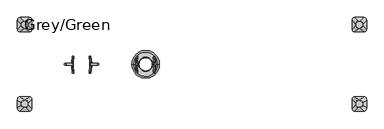
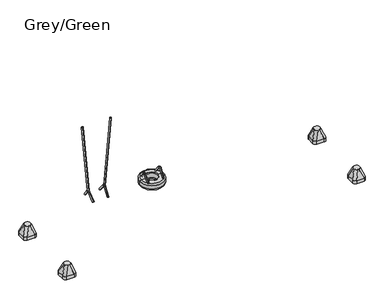
"""IFC4 building model written with IfcOpenShell, lengths in millimetres: furniture geometry, Grey/Green."""

from ifc_helpers import new_model, si_unit, point, frame, frame_2d, origin, place, context, project, spatial, circle_curve, ellipse_curve, trimmed, segment, composite_curve, outline, extrude, source, transform, mapped, element, save
from ifc_brep_helpers import plane_surface, cylinder_surface, revolved_surface, extruded_surface, advanced_brep


def grey_green_2156a29e(model_context):
    return source(origin(), model_context, "Body", "SolidModel", [
        advanced_brep(
        [(842.843913, 171.5929238, 509.453853), (840.9556542, 142.8420454, 487.8709553), (854.8767884, 22.4790408, 646.9902475), (856.7650472, 51.2299192, 668.5731452), (842.5847991, -188.6337903, 506.4921669), (840.5263438, -161.4642454, 482.9639159), (857.0557994, -44.3008039, 671.896457), (854.9973441, -17.131259, 648.3682061)],
        [
            (0, 1, circle_curve(frame((841.8997836, 157.2174846, 498.6624042), z_axis=(-0.06960567106284149, 0.6018150231520505, -0.7955964608169073), x_axis=(-0.05245163533952736, -0.7986355100472913, -0.5995249352960328)), 18.0)),
            (1, 0, circle_curve(frame((841.8997836, 157.2174846, 498.6624042), z_axis=(-0.06960567106284149, 0.6018150231520505, -0.7955964608169073), x_axis=(-0.05245163533952736, -0.7986355100472913, -0.5995249352960328)), 18.0)),
            (1, 2),
            (2, 3, circle_curve(frame((855.8209178, 36.85448, 657.7816963), z_axis=(-0.06960567106284149, 0.6018150231520505, -0.7955964608169073), x_axis=(-0.05245163533952736, -0.7986355100472913, -0.5995249352960328)), 18.0)),
            (3, 0),
            (3, 2, circle_curve(frame((855.8209178, 36.85448, 657.7816963), z_axis=(-0.06960567106284149, 0.6018150231520505, -0.7955964608169073), x_axis=(-0.05245163533952736, -0.7986355100472913, -0.5995249352960328)), 18.0)),
            (4, 5, circle_curve(frame((841.5555715, -175.0490178, 494.7280414), z_axis=(-0.06577727402310152, -0.6560590289905275, -0.7518376824169539), x_axis=(-0.0571793119579891, 0.7547095802227545, -0.6535625263155811)), 18.0)),
            (5, 4, circle_curve(frame((841.5555715, -175.0490178, 494.7280414), z_axis=(-0.06577727402310152, -0.6560590289905275, -0.7518376824169539), x_axis=(-0.0571793119579891, 0.7547095802227545, -0.6535625263155811)), 18.0)),
            (6, 7, circle_curve(frame((856.0265717, -30.7160315, 660.1323315), z_axis=(-0.06577727402310152, -0.6560590289905275, -0.7518376824169539), x_axis=(-0.0571793119579891, 0.7547095802227545, -0.6535625263155811)), 18.0)),
            (7, 5),
            (4, 6),
            (7, 6, circle_curve(frame((856.0265717, -30.7160315, 660.1323315), z_axis=(-0.06577727402310152, -0.6560590289905275, -0.7518376824169539), x_axis=(-0.0571793119579891, 0.7547095802227545, -0.6535625263155811)), 18.0)),
            (7, 2, circle_curve(frame((853.5392717, 2.1138353, 631.7023617), z_axis=(-0.9961946980917439, 0.0, 0.08715574274767696), x_axis=(0.0524516353395274, 0.7986355100472908, 0.5995249352960332)), 25.5)),
            (3, 6, circle_curve(frame((853.5392717, 2.1138353, 631.7023617), z_axis=(0.9961946980917439, 0.0, -0.08715574274767696), x_axis=(0.0524516353395274, 0.7986355100472908, 0.5995249352960332)), 61.5)),
        ],
        [
            plane_surface(frame((841.8997836, 157.2174846, 498.6624042), z_axis=(-0.06960567106284149, 0.6018150231520504, -0.7955964608169073), x_axis=(0.9961946980917439, 0.0, -0.08715574274767696))),
            cylinder_surface(frame((841.8997836, 157.2174846, 498.6624042), z_axis=(-0.06960567106284149, 0.6018150231520505, -0.7955964608169073), x_axis=(-0.05245163533952736, -0.7986355100472913, -0.5995249352960328)), 18.0),
            plane_surface(frame((841.5555715, -175.0490178, 494.7280414), z_axis=(-0.06577727402310148, -0.6560590289905277, -0.7518376824169536), x_axis=(0.9961946980917439, 0.0, -0.08715574274767686))),
            cylinder_surface(frame((856.0265717, -30.7160315, 660.1323315), z_axis=(0.0657772740231015, 0.6560590289905274, 0.7518376824169537), x_axis=(-0.0571793119579891, 0.7547095802227545, -0.6535625263155811)), 18.0),
            revolved_surface(trimmed(ellipse_curve(frame((855.8209178, 36.85448, 657.7816963), z_axis=(-0.06960567106284156, 0.6018150231520512, -0.7955964608169066), x_axis=(-0.05245163533952739, -0.7986355100472906, -0.5995249352960335)), 18.0, 18.0), [point((856.7650472, 51.2299192, 668.5731452))], [point((854.8767884, 22.4790408, 646.9902475))], True, "CARTESIAN"), (853.5392717, 2.1138353, 631.7023617), (0.9961946980917439, 0.0, -0.08715574274767696)),
            revolved_surface(trimmed(ellipse_curve(frame((855.8209178, 36.85448, 657.7816963), z_axis=(-0.06960567106284156, 0.6018150231520512, -0.7955964608169066), x_axis=(-0.05245163533952739, -0.7986355100472906, -0.5995249352960335)), 18.0, 18.0), [point((854.8767884, 22.4790408, 646.9902475))], [point((856.7650472, 51.2299192, 668.5731452))], True, "CARTESIAN"), (853.5392717, 2.1138353, 631.7023617), (0.9961946980917439, 0.0, -0.08715574274767696)),
        ],
        [
            (0, [[1, 2]]),
            (1, [[-2, 3, 4, 5]]),
            (1, [[-1, -5, 6, -3]]),
            (2, [[7, 8]]),
            (3, [[9, 10, -7, 11]]),
            (3, [[12, -11, -8, -10]]),
            (4, [[13, -6, 14, -12]]),
            (5, [[-14, -4, -13, -9]]),
        ],
    ),
        advanced_brep(
        [(489.0435586, 142.8352389, 487.8799535), (487.1552997, 171.5861173, 509.4628511), (475.1224244, 22.4722343, 646.9992456), (473.2341655, 51.2231127, 668.5821433), (489.4729122, -161.4568254, 482.9724192), (487.414457, -188.6263703, 506.5006701), (472.9434567, -44.2933839, 671.9049602), (475.0019119, -17.123839, 648.3767093)],
        [
            (0, 1, circle_curve(frame((488.0994292, 157.2106781, 498.6714023), z_axis=(0.06960567106282514, 0.6018150231520504, -0.7955964608169089), x_axis=(-0.052451635339515044, 0.7986355100472914, 0.5995249352960337)), 18.0)),
            (1, 0, circle_curve(frame((488.0994292, 157.2106781, 498.6714023), z_axis=(0.06960567106282514, 0.6018150231520504, -0.7955964608169089), x_axis=(-0.052451635339515044, 0.7986355100472914, 0.5995249352960337)), 18.0)),
            (0, 2),
            (2, 3, circle_curve(frame((474.178295, 36.8476735, 657.7906945), z_axis=(0.06960567106282514, 0.6018150231520504, -0.7955964608169089), x_axis=(-0.052451635339515044, 0.7986355100472914, 0.5995249352960337)), 18.0)),
            (3, 1),
            (3, 2, circle_curve(frame((474.178295, 36.8476735, 657.7906945), z_axis=(0.06960567106282514, 0.6018150231520504, -0.7955964608169089), x_axis=(-0.052451635339515044, 0.7986355100472914, 0.5995249352960337)), 18.0)),
            (4, 5, circle_curve(frame((488.4436846, -175.0415979, 494.7365446), z_axis=(0.06577727402308613, -0.6560590289905281, -0.7518376824169546), x_axis=(-0.05717931195797577, -0.754709580222754, 0.653562526315583)), 18.0)),
            (5, 4, circle_curve(frame((488.4436846, -175.0415979, 494.7365446), z_axis=(0.06577727402308613, -0.6560590289905281, -0.7518376824169546), x_axis=(-0.05717931195797577, -0.754709580222754, 0.653562526315583)), 18.0)),
            (6, 7, circle_curve(frame((473.9726843, -30.7086115, 660.1408348), z_axis=(0.06577727402308613, -0.6560590289905281, -0.7518376824169546), x_axis=(-0.05717931195797577, -0.754709580222754, 0.653562526315583)), 18.0)),
            (7, 4),
            (5, 6),
            (7, 6, circle_curve(frame((473.9726843, -30.7086115, 660.1408348), z_axis=(0.06577727402308613, -0.6560590289905281, -0.7518376824169546), x_axis=(-0.05717931195797577, -0.754709580222754, 0.653562526315583)), 18.0)),
            (6, 3, circle_curve(frame((476.4594607, 2.1143432, 631.7168506), z_axis=(-0.9961946980917457, 0.0, -0.08715574274765649), x_axis=(-0.05245163533951502, 0.7986355100472914, 0.5995249352960336)), 61.4908414)),
            (2, 7, circle_curve(frame((476.4594607, 2.1143432, 631.7168506), z_axis=(0.9961946980917457, 0.0, 0.08715574274765649), x_axis=(-0.05245163533951502, 0.7986355100472914, 0.5995249352960336)), 25.4908414)),
        ],
        [
            plane_surface(frame((488.0994292, 157.2106781, 498.6714023), z_axis=(0.06960567106282513, 0.6018150231520503, -0.7955964608169087), x_axis=(-0.9961946980917457, 0.0, -0.08715574274765646))),
            cylinder_surface(frame((488.0994292, 157.2106781, 498.6714023), z_axis=(0.06960567106282513, 0.6018150231520503, -0.7955964608169087), x_axis=(-0.052451635339515044, 0.7986355100472914, 0.5995249352960337)), 18.0),
            plane_surface(frame((488.4436846, -175.0415979, 494.7365446), z_axis=(0.06577727402308613, -0.6560590289905281, -0.7518376824169546), x_axis=(-0.9961946980917457, 0.0, -0.08715574274765645))),
            cylinder_surface(frame((473.9726843, -30.7086115, 660.1408348), z_axis=(-0.06577727402308613, 0.6560590289905281, 0.7518376824169546), x_axis=(-0.05717931195797577, -0.754709580222754, 0.653562526315583)), 18.0),
            revolved_surface(trimmed(ellipse_curve(frame((474.178295, 36.8476735, 657.7906945), z_axis=(0.0696056710628252, 0.6018150231520499, -0.7955964608169088), x_axis=(-0.05245163533951503, 0.7986355100472915, 0.5995249352960333)), 18.0, 18.0), [point((475.1224244, 22.4722343, 646.9992456))], [point((473.2341655, 51.2231127, 668.5821433))], True, "CARTESIAN"), (476.4594607, 2.1143432, 631.7168506), (0.9961946980917457, 0.0, 0.08715574274765649)),
            revolved_surface(trimmed(ellipse_curve(frame((474.178295, 36.8476735, 657.7906945), z_axis=(0.0696056710628252, 0.6018150231520499, -0.7955964608169088), x_axis=(-0.05245163533951503, 0.7986355100472915, 0.5995249352960333)), 18.0, 18.0), [point((473.2341655, 51.2231127, 668.5821433))], [point((475.1224244, 22.4722343, 646.9992456))], True, "CARTESIAN"), (476.4594607, 2.1143432, 631.7168506), (0.9961946980917457, 0.0, 0.08715574274765649)),
        ],
        [
            (0, [[1, 2]]),
            (1, [[-1, 3, 4, 5]]),
            (1, [[-2, -5, 6, -3]]),
            (2, [[7, 8]]),
            (3, [[9, 10, -8, 11]]),
            (3, [[12, -11, -7, -10]]),
            (4, [[13, -4, 14, -9]]),
            (5, [[-14, -6, -13, -12]]),
        ],
    ),
        advanced_brep(
        [(379.3165246, 0.0, 390.0), (950.6834754, 0.0, 390.0), (920.6834754, 0.0, 360.0), (409.3165246, 0.0, 360.0), (409.3165246, 0.0, 510.0), (920.6834754, 0.0, 510.0), (950.6834754, 0.0, 480.0), (379.3165246, 0.0, 480.0), (520.0, 0.0, 510.0), (810.0, 0.0, 510.0), (520.0, 0.0, 500.0), (810.0, 0.0, 500.0), (520.0, 0.0, 360.0), (810.0, 0.0, 360.0), (810.0, 0.0, 375.0), (520.0, 0.0, 375.0)],
        [
            (0, 1, circle_curve(frame((665.0, 0.0, 390.0), z_axis=(0.0, 0.0, -1.0), x_axis=(1.0, 0.0, 0.0)), 285.6834754)),
            (1, 2, circle_curve(frame((920.6834754, 0.0, 390.0), z_axis=(0.0, 1.0, 0.0), x_axis=(1.0, 0.0, 0.0)), 30.0)),
            (2, 3, circle_curve(frame((665.0, 0.0, 360.0), z_axis=(0.0, 0.0, 1.0), x_axis=(1.0, 0.0, 0.0)), 255.6834754)),
            (3, 0, circle_curve(frame((409.3165246, 0.0, 390.0), z_axis=(0.0, 1.0, 0.0), x_axis=(-1.0, 0.0, 0.0)), 30.0)),
            (1, 0, circle_curve(frame((665.0, 0.0, 390.0), z_axis=(0.0, 0.0, -1.0), x_axis=(1.0, 0.0, 0.0)), 285.6834754)),
            (3, 2, circle_curve(frame((665.0, 0.0, 360.0), z_axis=(0.0, 0.0, 1.0), x_axis=(1.0, 0.0, 0.0)), 255.6834754)),
            (4, 5, circle_curve(frame((665.0, 0.0, 510.0), z_axis=(0.0, 0.0, -1.0), x_axis=(1.0, 0.0, 0.0)), 255.6834754)),
            (5, 6, circle_curve(frame((920.6834754, 0.0, 480.0), z_axis=(0.0, 1.0, 0.0), x_axis=(1.0, 0.0, 0.0)), 30.0)),
            (6, 7, circle_curve(frame((665.0, 0.0, 480.0), z_axis=(0.0, 0.0, 1.0), x_axis=(1.0, 0.0, 0.0)), 285.6834754)),
            (7, 4, circle_curve(frame((409.3165246, 0.0, 480.0), z_axis=(0.0, 1.0, 0.0), x_axis=(-1.0, 0.0, 0.0)), 30.0)),
            (5, 4, circle_curve(frame((665.0, 0.0, 510.0), z_axis=(0.0, 0.0, -1.0), x_axis=(1.0, 0.0, 0.0)), 255.6834754)),
            (7, 6, circle_curve(frame((665.0, 0.0, 480.0), z_axis=(0.0, 0.0, 1.0), x_axis=(1.0, 0.0, 0.0)), 285.6834754)),
            (8, 9, circle_curve(frame((665.0, 0.0, 510.0), z_axis=(0.0, 0.0, -1.0), x_axis=(1.0, 0.0, 0.0)), 145.0)),
            (9, 5),
            (4, 8),
            (9, 8, circle_curve(frame((665.0, 0.0, 510.0), z_axis=(0.0, 0.0, -1.0), x_axis=(1.0, 0.0, 0.0)), 145.0)),
            (10, 11, circle_curve(frame((665.0, 0.0, 500.0), z_axis=(0.0, 0.0, -1.0), x_axis=(1.0, 0.0, 0.0)), 145.0)),
            (11, 9, circle_curve(frame((810.0, 0.0, 505.0), z_axis=(0.0, 1.0, 0.0), x_axis=(1.0, 0.0, 0.0)), 5.0)),
            (8, 10, circle_curve(frame((520.0, 0.0, 505.0), z_axis=(0.0, 1.0, 0.0), x_axis=(-1.0, 0.0, 0.0)), 5.0)),
            (11, 10, circle_curve(frame((665.0, 0.0, 500.0), z_axis=(0.0, 0.0, -1.0), x_axis=(1.0, 0.0, 0.0)), 145.0)),
            (12, 13, circle_curve(frame((665.0, 0.0, 360.0), z_axis=(0.0, 0.0, -1.0), x_axis=(1.0, 0.0, 0.0)), 145.0)),
            (13, 14, circle_curve(frame((813.8250415, 0.0, 367.5), z_axis=(0.0, 1.0, 0.0), x_axis=(1.0, 0.0, 0.0)), 8.4190821)),
            (14, 15, circle_curve(frame((665.0, 0.0, 375.0), z_axis=(0.0, 0.0, 1.0), x_axis=(1.0, 0.0, 0.0)), 145.0)),
            (15, 12, circle_curve(frame((516.1749585, 0.0, 367.5), z_axis=(0.0, 1.0, 0.0), x_axis=(-1.0, 0.0, 0.0)), 8.4190821)),
            (13, 12, circle_curve(frame((665.0, 0.0, 360.0), z_axis=(0.0, 0.0, -1.0), x_axis=(1.0, 0.0, 0.0)), 145.0)),
            (15, 14, circle_curve(frame((665.0, 0.0, 375.0), z_axis=(0.0, 0.0, 1.0), x_axis=(1.0, 0.0, 0.0)), 145.0)),
            (2, 13),
            (12, 3),
            (6, 1),
            (0, 7),
            (14, 11, circle_curve(frame((810.0, 0.0, 437.5), z_axis=(0.0, -1.0, 0.0), x_axis=(-1.0, 0.0, 0.0)), 62.5)),
            (10, 15, circle_curve(frame((520.0, 0.0, 437.5), z_axis=(0.0, -1.0, 0.0), x_axis=(1.0, 0.0, 0.0)), 62.5)),
        ],
        [
            revolved_surface(trimmed(ellipse_curve(frame((920.6834754, 0.0, 390.0), z_axis=(0.0, -1.0, 0.0), x_axis=(1.0, 0.0, 0.0)), 30.0, 30.0), [point((920.6834754, 0.0, 360.0))], [point((950.6834754, 0.0, 390.0))], True, "CARTESIAN"), (665.0, 0.0, 2969.0581012), (0.0, 0.0, 1.0)),
            revolved_surface(trimmed(ellipse_curve(frame((920.6834754, 0.0, 480.0), z_axis=(0.0, -1.0, 0.0), x_axis=(1.0, 0.0, 0.0)), 30.0, 30.0), [point((950.6834754, 0.0, 480.0))], [point((920.6834754, 0.0, 510.0))], True, "CARTESIAN"), (665.0, 0.0, 2969.0581012), (0.0, 0.0, 1.0)),
            plane_surface(frame((665.0, 0.0, 510.0), z_axis=(0.0, 0.0, 1.0), x_axis=(1.0, 0.0, 0.0))),
            revolved_surface(trimmed(ellipse_curve(frame((810.0, 0.0, 505.0), z_axis=(0.0, -1.0, 0.0), x_axis=(1.0, 0.0, 0.0)), 5.0, 5.0), [point((810.0, 0.0, 510.0))], [point((810.0, 0.0, 500.0))], True, "CARTESIAN"), (665.0, 0.0, 2969.0581012), (0.0, 0.0, 1.0)),
            revolved_surface(trimmed(ellipse_curve(frame((813.8250415, 0.0, 367.5), z_axis=(0.0, -1.0, 0.0), x_axis=(1.0, 0.0, 0.0)), 8.4190821, 8.4190821), [point((810.0, 0.0, 375.0))], [point((810.0, 0.0, 360.0))], True, "CARTESIAN"), (665.0, 0.0, 2969.0581012), (0.0, 0.0, 1.0)),
            plane_surface(frame((665.0, 0.0, 360.0), z_axis=(0.0, 0.0, -1.0), x_axis=(1.0, 0.0, 0.0))),
            cylinder_surface(frame((665.0, 0.0, 2969.0581012), z_axis=(0.0, 0.0, 1.0), x_axis=(1.0, 0.0, 0.0)), 285.6834754),
            revolved_surface(trimmed(ellipse_curve(frame((810.0, 0.0, 437.5), z_axis=(0.0, 1.0, 0.0), x_axis=(-1.0, 0.0, 0.0)), 62.5, 62.5), [point((810.0, 0.0, 500.0))], [point((810.0, 0.0, 375.0))], True, "CARTESIAN"), (665.0, 0.0, 2969.0581012), (0.0, 0.0, 1.0)),
        ],
        [
            (0, [[1, 2, 3, 4]]),
            (0, [[5, -4, 6, -2]]),
            (1, [[7, 8, 9, 10]]),
            (1, [[11, -10, 12, -8]]),
            (2, [[13, 14, -7, 15]]),
            (2, [[16, -15, -11, -14]]),
            (3, [[17, 18, -13, 19]]),
            (3, [[20, -19, -16, -18]]),
            (4, [[21, 22, 23, 24]]),
            (4, [[25, -24, 26, -22]]),
            (5, [[-3, 27, -21, 28]]),
            (5, [[-6, -28, -25, -27]]),
            (6, [[-9, 29, -1, 30]]),
            (6, [[-12, -30, -5, -29]]),
            (7, [[-23, 31, -17, 32]]),
            (7, [[-26, -32, -20, -31]]),
        ],
    ),
        advanced_brep(
        [(5013.0, -672.5, -604.0), (5193.0, -672.5, -604.0), (5253.0, -732.5, -604.0), (5253.0, -912.5, -604.0), (5193.0, -972.5, -604.0), (5013.0, -972.5, -604.0), (4953.0, -912.5, -604.0), (4953.0, -732.5, -604.0), (5013.0, -672.5, -526.0689494), (5193.0, -672.5, -526.0689494), (5253.0, -732.5, -526.0689494), (5253.0, -912.5, -526.0689494), (5193.0, -972.5, -526.0689494), (5013.0, -972.5, -526.0689494), (4953.0, -912.5, -526.0689494), (4953.0, -732.5, -526.0689494), (5111.9540451, -751.0510597, -316.0689494), (5086.9540451, -751.0510597, -316.0689494), (5026.9540451, -811.0510597, -316.0689494), (5026.9540451, -836.0510597, -316.0689494), (5086.9540451, -896.0510597, -316.0689494), (5111.9540451, -896.0510597, -316.0689494), (5171.9540451, -836.0510597, -316.0689494), (5171.9540451, -811.0510597, -316.0689494)],
        [
            (0, 1),
            (1, 2, circle_curve(frame((5193.0, -732.5, -604.0), z_axis=(0.0, 0.0, -1.0), x_axis=(-1.0, 0.0, 0.0)), 60.0)),
            (2, 3),
            (3, 4, circle_curve(frame((5193.0, -912.5, -604.0), z_axis=(0.0, 0.0, -1.0), x_axis=(-1.0, 0.0, 0.0)), 60.0)),
            (4, 5),
            (5, 6, circle_curve(frame((5013.0, -912.5, -604.0), z_axis=(0.0, 0.0, -1.0), x_axis=(-1.0, 0.0, 0.0)), 60.0)),
            (6, 7),
            (7, 0, circle_curve(frame((5013.0, -732.5, -604.0), z_axis=(0.0, 0.0, -1.0), x_axis=(-1.0, 0.0, 0.0)), 60.0)),
            (0, 8),
            (8, 9),
            (9, 1),
            (2, 10),
            (10, 11),
            (11, 3),
            (4, 12),
            (12, 13),
            (13, 5),
            (6, 14),
            (14, 15),
            (15, 7),
            (16, 17),
            (17, 18, circle_curve(frame((5086.9540451, -811.0510597, -316.0689494), z_axis=(0.0, 0.0, 1.0), x_axis=(-1.0, 0.0, 0.0)), 60.0)),
            (18, 19),
            (19, 20, circle_curve(frame((5086.9540451, -836.0510597, -316.0689494), z_axis=(0.0, 0.0, 1.0), x_axis=(-1.0, 0.0, 0.0)), 60.0)),
            (20, 21),
            (21, 22, circle_curve(frame((5111.9540451, -836.0510597, -316.0689494), z_axis=(0.0, 0.0, 1.0), x_axis=(-1.0, 0.0, 0.0)), 60.0)),
            (22, 23),
            (23, 16, circle_curve(frame((5111.9540451, -811.0510597, -316.0689494), z_axis=(0.0, 0.0, 1.0), x_axis=(-1.0, 0.0, 0.0)), 60.0)),
            (22, 11),
            (10, 23),
            (20, 13),
            (12, 21),
            (18, 15),
            (14, 19),
            (16, 9),
            (8, 17),
            (9, 10, circle_curve(frame((5193.0, -732.5, -526.0689494), z_axis=(0.0, 0.0, -1.0), x_axis=(-1.0, 0.0, 0.0)), 60.0)),
            (11, 12, circle_curve(frame((5193.0, -912.5, -526.0689494), z_axis=(0.0, 0.0, -1.0), x_axis=(-1.0, 0.0, 0.0)), 60.0)),
            (13, 14, circle_curve(frame((5013.0, -912.5, -526.0689494), z_axis=(0.0, 0.0, -1.0), x_axis=(-1.0, 0.0, 0.0)), 60.0)),
            (15, 8, circle_curve(frame((5013.0, -732.5, -526.0689494), z_axis=(0.0, 0.0, -1.0), x_axis=(-1.0, 0.0, 0.0)), 60.0)),
        ],
        [
            plane_surface(frame((5279.6329682, -672.5, -604.0), z_axis=(0.0, 0.0, -1.0), x_axis=(-1.0, 0.0, 0.0))),
            plane_surface(frame((5013.0, -672.5, -526.0689494), z_axis=(0.0, 1.0, 0.0), x_axis=(0.0, 0.0, -1.0))),
            plane_surface(frame((5253.0, -732.5, -526.0689494), z_axis=(1.0, 0.0, 0.0), x_axis=(0.0, 0.0, -1.0))),
            plane_surface(frame((5193.0, -972.5, -526.0689494), z_axis=(0.0, -1.0, 0.0), x_axis=(0.0, 0.0, -1.0))),
            plane_surface(frame((4953.0, -912.5, -526.0689494), z_axis=(-1.0, 0.0, 0.0), x_axis=(0.0, 0.0, -1.0))),
            plane_surface(frame((5099.4540451, -823.5510597, -316.0689494), z_axis=(0.0, 0.0, 1.0), x_axis=(1.0, 0.0, 0.0))),
            plane_surface(frame((5253.0, -822.5, -526.0689494), z_axis=(0.9329330935587706, 0.0, 0.36004977842357055), x_axis=(0.0, -1.0, 0.0))),
            plane_surface(frame((5103.0, -972.5, -526.0689494), z_axis=(0.0, -0.9396707723277333, 0.34208016550656856), x_axis=(-1.0, 0.0, 0.0))),
            plane_surface(frame((4953.0, -822.5, -526.0689494), z_axis=(-0.9432207285248213, 0.0, 0.33216661072586046), x_axis=(0.0, 1.0, 0.0))),
            plane_surface(frame((5103.0, -672.5, -526.0689494), z_axis=(0.0, 0.9366205672401335, 0.35034541958297477), x_axis=(1.0, 0.0, 0.0))),
            cylinder_surface(frame((5193.0, -732.5, -604.0), z_axis=(0.0, 0.0, 1.0), x_axis=(-1.0, 0.0, 0.0)), 60.0),
            cylinder_surface(frame((5193.0, -912.5, -604.0), z_axis=(0.0, 0.0, 1.0), x_axis=(-1.0, 0.0, 0.0)), 60.0),
            cylinder_surface(frame((5013.0, -912.5, -604.0), z_axis=(0.0, 0.0, 1.0), x_axis=(-1.0, 0.0, 0.0)), 60.0),
            cylinder_surface(frame((5013.0, -732.5, -604.0), z_axis=(0.0, 0.0, 1.0), x_axis=(-1.0, 0.0, 0.0)), 60.0),
            extruded_surface(trimmed(circle_curve(frame((5111.9540451, -811.0510597, -316.0689494), z_axis=(0.0, 0.0, -1.0), x_axis=(-1.0, 0.0, 0.0)), 60.0), [point((5111.9540451, -751.0510597, -316.0689494))], [point((5171.9540451, -811.0510597, -316.0689494))], True, "CARTESIAN"), (81.04595489999974, 78.5510597, -209.99999999999994), 238.40871583406033),
            extruded_surface(trimmed(circle_curve(frame((5086.9540451, -811.0510597, -316.0689494), z_axis=(0.0, 0.0, -1.0), x_axis=(-1.0, 0.0, 0.0)), 60.0), [point((5026.9540451, -811.0510597, -316.0689494))], [point((5086.9540451, -751.0510597, -316.0689494))], True, "CARTESIAN"), (-73.95404510000026, 78.5510597, -209.99999999999994), 236.09207900021934),
            extruded_surface(trimmed(circle_curve(frame((5111.9540451, -836.0510597, -316.0689494), z_axis=(0.0, 0.0, -1.0), x_axis=(-1.0, 0.0, 0.0)), 60.0), [point((5171.9540451, -836.0510597, -316.0689494))], [point((5111.9540451, -896.0510597, -316.0689494))], True, "CARTESIAN"), (81.04595489999974, -76.4489403, -209.99999999999994), 237.72439352882097),
            extruded_surface(trimmed(circle_curve(frame((5086.9540451, -836.0510597, -316.0689494), z_axis=(0.0, 0.0, -1.0), x_axis=(-1.0, 0.0, 0.0)), 60.0), [point((5086.9540451, -896.0510597, -316.0689494))], [point((5026.9540451, -836.0510597, -316.0689494))], True, "CARTESIAN"), (-73.95404510000026, -76.4489403, -209.99999999999994), 235.40102221453037),
        ],
        [
            (0, [[1, 2, 3, 4, 5, 6, 7, 8]]),
            (1, [[9, 10, 11, -1]]),
            (2, [[12, 13, 14, -3]]),
            (3, [[15, 16, 17, -5]]),
            (4, [[18, 19, 20, -7]]),
            (5, [[21, 22, 23, 24, 25, 26, 27, 28]]),
            (6, [[29, -13, 30, -27]]),
            (7, [[31, -16, 32, -25]]),
            (8, [[33, -19, 34, -23]]),
            (9, [[35, -10, 36, -21]]),
            (10, [[-11, 37, -12, -2]]),
            (11, [[-14, 38, -15, -4]]),
            (12, [[-17, 39, -18, -6]]),
            (13, [[-20, 40, -9, -8]]),
            (14, [[-30, -37, -35, -28]]),
            (15, [[-36, -40, -33, -22]]),
            (16, [[-32, -38, -29, -26]]),
            (17, [[-34, -39, -31, -24]]),
        ],
    ),
        advanced_brep(
        [(5013.0, 672.5, -604.0), (4953.0, 732.5, -604.0), (4953.0, 912.5, -604.0), (5013.0, 972.5, -604.0), (5193.0, 972.5, -604.0), (5253.0, 912.5, -604.0), (5253.0, 732.5, -604.0), (5193.0, 672.5, -604.0), (5193.0, 672.5, -526.0689494), (5013.0, 672.5, -526.0689494), (5253.0, 912.5, -526.0689494), (5253.0, 732.5, -526.0689494), (5013.0, 972.5, -526.0689494), (5193.0, 972.5, -526.0689494), (4953.0, 732.5, -526.0689494), (4953.0, 912.5, -526.0689494), (5111.9540451, 751.0510597, -316.0689494), (5171.9540451, 811.0510597, -316.0689494), (5171.9540451, 836.0510597, -316.0689494), (5111.9540451, 896.0510597, -316.0689494), (5086.9540451, 896.0510597, -316.0689494), (5026.9540451, 836.0510597, -316.0689494), (5026.9540451, 811.0510597, -316.0689494), (5086.9540451, 751.0510597, -316.0689494)],
        [
            (0, 1, circle_curve(frame((5013.0, 732.5, -604.0), z_axis=(0.0, 0.0, -1.0), x_axis=(-1.0, 0.0, 0.0)), 60.0)),
            (1, 2),
            (2, 3, circle_curve(frame((5013.0, 912.5, -604.0), z_axis=(0.0, 0.0, -1.0), x_axis=(-1.0, 0.0, 0.0)), 60.0)),
            (3, 4),
            (4, 5, circle_curve(frame((5193.0, 912.5, -604.0), z_axis=(0.0, 0.0, -1.0), x_axis=(-1.0, 0.0, 0.0)), 60.0)),
            (5, 6),
            (6, 7, circle_curve(frame((5193.0, 732.5, -604.0), z_axis=(0.0, 0.0, -1.0), x_axis=(-1.0, 0.0, 0.0)), 60.0)),
            (7, 0),
            (7, 8),
            (8, 9),
            (9, 0),
            (5, 10),
            (10, 11),
            (11, 6),
            (3, 12),
            (12, 13),
            (13, 4),
            (1, 14),
            (14, 15),
            (15, 2),
            (16, 17, circle_curve(frame((5111.9540451, 811.0510597, -316.0689494), z_axis=(0.0, 0.0, 1.0), x_axis=(-1.0, 0.0, 0.0)), 60.0)),
            (17, 18),
            (18, 19, circle_curve(frame((5111.9540451, 836.0510597, -316.0689494), z_axis=(0.0, 0.0, 1.0), x_axis=(-1.0, 0.0, 0.0)), 60.0)),
            (19, 20),
            (20, 21, circle_curve(frame((5086.9540451, 836.0510597, -316.0689494), z_axis=(0.0, 0.0, 1.0), x_axis=(-1.0, 0.0, 0.0)), 60.0)),
            (21, 22),
            (22, 23, circle_curve(frame((5086.9540451, 811.0510597, -316.0689494), z_axis=(0.0, 0.0, 1.0), x_axis=(-1.0, 0.0, 0.0)), 60.0)),
            (23, 16),
            (17, 11),
            (10, 18),
            (19, 13),
            (12, 20),
            (21, 15),
            (14, 22),
            (23, 9),
            (8, 16),
            (11, 8, circle_curve(frame((5193.0, 732.5, -526.0689494), z_axis=(0.0, 0.0, -1.0), x_axis=(-1.0, 0.0, 0.0)), 60.0)),
            (13, 10, circle_curve(frame((5193.0, 912.5, -526.0689494), z_axis=(0.0, 0.0, -1.0), x_axis=(-1.0, 0.0, 0.0)), 60.0)),
            (15, 12, circle_curve(frame((5013.0, 912.5, -526.0689494), z_axis=(0.0, 0.0, -1.0), x_axis=(-1.0, 0.0, 0.0)), 60.0)),
            (9, 14, circle_curve(frame((5013.0, 732.5, -526.0689494), z_axis=(0.0, 0.0, -1.0), x_axis=(-1.0, 0.0, 0.0)), 60.0)),
        ],
        [
            plane_surface(frame((5279.6329682, 672.5, -604.0), z_axis=(0.0, 0.0, -1.0), x_axis=(-1.0, 0.0, 0.0))),
            plane_surface(frame((5013.0, 672.5, -526.0689494), z_axis=(0.0, -1.0, 0.0), x_axis=(0.0, 0.0, -1.0))),
            plane_surface(frame((5253.0, 732.5, -526.0689494), z_axis=(1.0, 0.0, 0.0), x_axis=(0.0, 0.0, -1.0))),
            plane_surface(frame((5193.0, 972.5, -526.0689494), z_axis=(0.0, 1.0, 0.0), x_axis=(0.0, 0.0, -1.0))),
            plane_surface(frame((4953.0, 912.5, -526.0689494), z_axis=(-1.0, 0.0, 0.0), x_axis=(0.0, 0.0, -1.0))),
            plane_surface(frame((5099.4540451, 823.5510597, -316.0689494), z_axis=(0.0, 0.0, 1.0), x_axis=(1.0, 0.0, 0.0))),
            plane_surface(frame((5253.0, 822.5, -526.0689494), z_axis=(0.9329330935587706, 0.0, 0.36004977842357055), x_axis=(0.0, 1.0, 0.0))),
            plane_surface(frame((5103.0, 972.5, -526.0689494), z_axis=(0.0, 0.9396707723277333, 0.34208016550656856), x_axis=(-1.0, 0.0, 0.0))),
            plane_surface(frame((4953.0, 822.5, -526.0689494), z_axis=(-0.9432207285248213, 0.0, 0.33216661072586046), x_axis=(0.0, -1.0, 0.0))),
            plane_surface(frame((5103.0, 672.5, -526.0689494), z_axis=(0.0, -0.9366205672401335, 0.35034541958297477), x_axis=(1.0, 0.0, 0.0))),
            cylinder_surface(frame((5193.0, 732.5, -604.0), z_axis=(0.0, 0.0, 1.0), x_axis=(-1.0, 0.0, 0.0)), 60.0),
            cylinder_surface(frame((5193.0, 912.5, -604.0), z_axis=(0.0, 0.0, 1.0), x_axis=(-1.0, 0.0, 0.0)), 60.0),
            cylinder_surface(frame((5013.0, 912.5, -604.0), z_axis=(0.0, 0.0, 1.0), x_axis=(-1.0, 0.0, 0.0)), 60.0),
            cylinder_surface(frame((5013.0, 732.5, -604.0), z_axis=(0.0, 0.0, 1.0), x_axis=(-1.0, 0.0, 0.0)), 60.0),
            extruded_surface(trimmed(circle_curve(frame((5193.0, 732.5, -526.0689494), z_axis=(0.0, 0.0, 1.0), x_axis=(-1.0, 0.0, 0.0)), 60.0), [point((5193.0, 672.5, -526.0689494))], [point((5253.0, 732.5, -526.0689494))], True, "CARTESIAN"), (-81.04595489999974, 78.5510597, 209.99999999999994), 238.40871583406033),
            extruded_surface(trimmed(circle_curve(frame((5013.0, 732.5, -526.0689494), z_axis=(0.0, 0.0, 1.0), x_axis=(-1.0, 0.0, 0.0)), 60.0), [point((4953.0, 732.5, -526.0689494))], [point((5013.0, 672.5, -526.0689494))], True, "CARTESIAN"), (73.95404510000026, 78.5510597, 209.99999999999994), 236.09207900021934),
            extruded_surface(trimmed(circle_curve(frame((5193.0, 912.5, -526.0689494), z_axis=(0.0, 0.0, 1.0), x_axis=(-1.0, 0.0, 0.0)), 60.0), [point((5253.0, 912.5, -526.0689494))], [point((5193.0, 972.5, -526.0689494))], True, "CARTESIAN"), (-81.04595489999974, -76.4489403, 209.99999999999994), 237.72439352882097),
            extruded_surface(trimmed(circle_curve(frame((5013.0, 912.5, -526.0689494), z_axis=(0.0, 0.0, 1.0), x_axis=(-1.0, 0.0, 0.0)), 60.0), [point((5013.0, 972.5, -526.0689494))], [point((4953.0, 912.5, -526.0689494))], True, "CARTESIAN"), (73.95404510000026, -76.4489403, 209.99999999999994), 235.40102221453037),
        ],
        [
            (0, [[1, 2, 3, 4, 5, 6, 7, 8]]),
            (1, [[-8, 9, 10, 11]]),
            (2, [[-6, 12, 13, 14]]),
            (3, [[-4, 15, 16, 17]]),
            (4, [[-2, 18, 19, 20]]),
            (5, [[21, 22, 23, 24, 25, 26, 27, 28]]),
            (6, [[-22, 29, -13, 30]]),
            (7, [[-24, 31, -16, 32]]),
            (8, [[-26, 33, -19, 34]]),
            (9, [[-28, 35, -10, 36]]),
            (10, [[-7, -14, 37, -9]]),
            (11, [[-5, -17, 38, -12]]),
            (12, [[-3, -20, 39, -15]]),
            (13, [[-1, -11, 40, -18]]),
            (14, [[-21, -36, -37, -29]]),
            (15, [[-27, -34, -40, -35]]),
            (16, [[-23, -30, -38, -31]]),
            (17, [[-25, -32, -39, -33]]),
        ],
    ),
        advanced_brep(
        [(-1757.0, 672.5, -604.0), (-1937.0, 672.5, -604.0), (-1997.0, 732.5, -604.0), (-1997.0, 912.5, -604.0), (-1937.0, 972.5, -604.0), (-1757.0, 972.5, -604.0), (-1697.0, 912.5, -604.0), (-1697.0, 732.5, -604.0), (-1757.0, 672.5, -526.0689494), (-1937.0, 672.5, -526.0689494), (-1997.0, 732.5, -526.0689494), (-1997.0, 912.5, -526.0689494), (-1937.0, 972.5, -526.0689494), (-1757.0, 972.5, -526.0689494), (-1697.0, 912.5, -526.0689494), (-1697.0, 732.5, -526.0689494), (-1855.9540451, 751.0510597, -316.0689494), (-1830.9540451, 751.0510597, -316.0689494), (-1770.9540451, 811.0510597, -316.0689494), (-1770.9540451, 836.0510597, -316.0689494), (-1830.9540451, 896.0510597, -316.0689494), (-1855.9540451, 896.0510597, -316.0689494), (-1915.9540451, 836.0510597, -316.0689494), (-1915.9540451, 811.0510597, -316.0689494)],
        [
            (0, 1),
            (1, 2, circle_curve(frame((-1937.0, 732.5, -604.0), z_axis=(0.0, 0.0, -1.0), x_axis=(1.0, 0.0, 0.0)), 60.0)),
            (2, 3),
            (3, 4, circle_curve(frame((-1937.0, 912.5, -604.0), z_axis=(0.0, 0.0, -1.0), x_axis=(1.0, 0.0, 0.0)), 60.0)),
            (4, 5),
            (5, 6, circle_curve(frame((-1757.0, 912.5, -604.0), z_axis=(0.0, 0.0, -1.0), x_axis=(1.0, 0.0, 0.0)), 60.0)),
            (6, 7),
            (7, 0, circle_curve(frame((-1757.0, 732.5, -604.0), z_axis=(0.0, 0.0, -1.0), x_axis=(1.0, 0.0, 0.0)), 60.0)),
            (0, 8),
            (8, 9),
            (9, 1),
            (2, 10),
            (10, 11),
            (11, 3),
            (4, 12),
            (12, 13),
            (13, 5),
            (6, 14),
            (14, 15),
            (15, 7),
            (16, 17),
            (17, 18, circle_curve(frame((-1830.9540451, 811.0510597, -316.0689494), z_axis=(0.0, 0.0, 1.0), x_axis=(1.0, 0.0, 0.0)), 60.0)),
            (18, 19),
            (19, 20, circle_curve(frame((-1830.9540451, 836.0510597, -316.0689494), z_axis=(0.0, 0.0, 1.0), x_axis=(1.0, 0.0, 0.0)), 60.0)),
            (20, 21),
            (21, 22, circle_curve(frame((-1855.9540451, 836.0510597, -316.0689494), z_axis=(0.0, 0.0, 1.0), x_axis=(1.0, 0.0, 0.0)), 60.0)),
            (22, 23),
            (23, 16, circle_curve(frame((-1855.9540451, 811.0510597, -316.0689494), z_axis=(0.0, 0.0, 1.0), x_axis=(1.0, 0.0, 0.0)), 60.0)),
            (22, 11),
            (10, 23),
            (20, 13),
            (12, 21),
            (18, 15),
            (14, 19),
            (16, 9),
            (8, 17),
            (9, 10, circle_curve(frame((-1937.0, 732.5, -526.0689494), z_axis=(0.0, 0.0, -1.0), x_axis=(1.0, 0.0, 0.0)), 60.0)),
            (11, 12, circle_curve(frame((-1937.0, 912.5, -526.0689494), z_axis=(0.0, 0.0, -1.0), x_axis=(1.0, 0.0, 0.0)), 60.0)),
            (13, 14, circle_curve(frame((-1757.0, 912.5, -526.0689494), z_axis=(0.0, 0.0, -1.0), x_axis=(1.0, 0.0, 0.0)), 60.0)),
            (15, 8, circle_curve(frame((-1757.0, 732.5, -526.0689494), z_axis=(0.0, 0.0, -1.0), x_axis=(1.0, 0.0, 0.0)), 60.0)),
        ],
        [
            plane_surface(frame((-2023.6329682, 672.5, -604.0), z_axis=(0.0, 0.0, -1.0), x_axis=(1.0, 0.0, 0.0))),
            plane_surface(frame((-1757.0, 672.5, -526.0689494), z_axis=(0.0, -1.0, 0.0), x_axis=(0.0, 0.0, -1.0))),
            plane_surface(frame((-1997.0, 732.5, -526.0689494), z_axis=(-1.0, 0.0, 0.0), x_axis=(0.0, 0.0, -1.0))),
            plane_surface(frame((-1937.0, 972.5, -526.0689494), z_axis=(0.0, 1.0, 0.0), x_axis=(0.0, 0.0, -1.0))),
            plane_surface(frame((-1697.0, 912.5, -526.0689494), z_axis=(1.0, 0.0, 0.0), x_axis=(0.0, 0.0, -1.0))),
            plane_surface(frame((-1843.4540451, 823.5510597, -316.0689494), z_axis=(0.0, 0.0, 1.0), x_axis=(-1.0, 0.0, 0.0))),
            plane_surface(frame((-1997.0, 822.5, -526.0689494), z_axis=(-0.9329330935587706, 0.0, 0.36004977842357055), x_axis=(0.0, 1.0, 0.0))),
            plane_surface(frame((-1847.0, 972.5, -526.0689494), z_axis=(0.0, 0.9396707723277333, 0.34208016550656856), x_axis=(1.0, 0.0, 0.0))),
            plane_surface(frame((-1697.0, 822.5, -526.0689494), z_axis=(0.9432207285248213, 0.0, 0.33216661072586046), x_axis=(0.0, -1.0, 0.0))),
            plane_surface(frame((-1847.0, 672.5, -526.0689494), z_axis=(0.0, -0.9366205672401335, 0.35034541958297477), x_axis=(-1.0, 0.0, 0.0))),
            cylinder_surface(frame((-1937.0, 732.5, -604.0), z_axis=(0.0, 0.0, 1.0), x_axis=(1.0, 0.0, 0.0)), 60.0),
            cylinder_surface(frame((-1937.0, 912.5, -604.0), z_axis=(0.0, 0.0, 1.0), x_axis=(1.0, 0.0, 0.0)), 60.0),
            cylinder_surface(frame((-1757.0, 912.5, -604.0), z_axis=(0.0, 0.0, 1.0), x_axis=(1.0, 0.0, 0.0)), 60.0),
            cylinder_surface(frame((-1757.0, 732.5, -604.0), z_axis=(0.0, 0.0, 1.0), x_axis=(1.0, 0.0, 0.0)), 60.0),
            extruded_surface(trimmed(circle_curve(frame((-1855.9540451, 811.0510597, -316.0689494), z_axis=(0.0, 0.0, -1.0), x_axis=(1.0, 0.0, 0.0)), 60.0), [point((-1855.9540451, 751.0510597, -316.0689494))], [point((-1915.9540451, 811.0510597, -316.0689494))], True, "CARTESIAN"), (-81.04595489999997, -78.5510597, -209.99999999999994), 238.40871583406042),
            extruded_surface(trimmed(circle_curve(frame((-1830.9540451, 811.0510597, -316.0689494), z_axis=(0.0, 0.0, -1.0), x_axis=(1.0, 0.0, 0.0)), 60.0), [point((-1770.9540451, 811.0510597, -316.0689494))], [point((-1830.9540451, 751.0510597, -316.0689494))], True, "CARTESIAN"), (73.95404510000003, -78.5510597, -209.99999999999994), 236.0920790002193),
            extruded_surface(trimmed(circle_curve(frame((-1855.9540451, 836.0510597, -316.0689494), z_axis=(0.0, 0.0, -1.0), x_axis=(1.0, 0.0, 0.0)), 60.0), [point((-1915.9540451, 836.0510597, -316.0689494))], [point((-1855.9540451, 896.0510597, -316.0689494))], True, "CARTESIAN"), (-81.04595489999997, 76.4489403, -209.99999999999994), 237.72439352882105),
            extruded_surface(trimmed(circle_curve(frame((-1830.9540451, 836.0510597, -316.0689494), z_axis=(0.0, 0.0, -1.0), x_axis=(1.0, 0.0, 0.0)), 60.0), [point((-1830.9540451, 896.0510597, -316.0689494))], [point((-1770.9540451, 836.0510597, -316.0689494))], True, "CARTESIAN"), (73.95404510000003, 76.4489403, -209.99999999999994), 235.4010222145303),
        ],
        [
            (0, [[1, 2, 3, 4, 5, 6, 7, 8]]),
            (1, [[9, 10, 11, -1]]),
            (2, [[12, 13, 14, -3]]),
            (3, [[15, 16, 17, -5]]),
            (4, [[18, 19, 20, -7]]),
            (5, [[21, 22, 23, 24, 25, 26, 27, 28]]),
            (6, [[29, -13, 30, -27]]),
            (7, [[31, -16, 32, -25]]),
            (8, [[33, -19, 34, -23]]),
            (9, [[35, -10, 36, -21]]),
            (10, [[-11, 37, -12, -2]]),
            (11, [[-14, 38, -15, -4]]),
            (12, [[-17, 39, -18, -6]]),
            (13, [[-20, 40, -9, -8]]),
            (14, [[-30, -37, -35, -28]]),
            (15, [[-36, -40, -33, -22]]),
            (16, [[-32, -38, -29, -26]]),
            (17, [[-34, -39, -31, -24]]),
        ],
    ),
        advanced_brep(
        [(-1757.0, -672.5, -604.0), (-1697.0, -732.5, -604.0), (-1697.0, -912.5, -604.0), (-1757.0, -972.5, -604.0), (-1937.0, -972.5, -604.0), (-1997.0, -912.5, -604.0), (-1997.0, -732.5, -604.0), (-1937.0, -672.5, -604.0), (-1937.0, -672.5, -526.0689494), (-1757.0, -672.5, -526.0689494), (-1997.0, -912.5, -526.0689494), (-1997.0, -732.5, -526.0689494), (-1757.0, -972.5, -526.0689494), (-1937.0, -972.5, -526.0689494), (-1697.0, -732.5, -526.0689494), (-1697.0, -912.5, -526.0689494), (-1855.9540451, -751.0510597, -316.0689494), (-1915.9540451, -811.0510597, -316.0689494), (-1915.9540451, -836.0510597, -316.0689494), (-1855.9540451, -896.0510597, -316.0689494), (-1830.9540451, -896.0510597, -316.0689494), (-1770.9540451, -836.0510597, -316.0689494), (-1770.9540451, -811.0510597, -316.0689494), (-1830.9540451, -751.0510597, -316.0689494)],
        [
            (0, 1, circle_curve(frame((-1757.0, -732.5, -604.0), z_axis=(0.0, 0.0, -1.0), x_axis=(1.0, 0.0, 0.0)), 60.0)),
            (1, 2),
            (2, 3, circle_curve(frame((-1757.0, -912.5, -604.0), z_axis=(0.0, 0.0, -1.0), x_axis=(1.0, 0.0, 0.0)), 60.0)),
            (3, 4),
            (4, 5, circle_curve(frame((-1937.0, -912.5, -604.0), z_axis=(0.0, 0.0, -1.0), x_axis=(1.0, 0.0, 0.0)), 60.0)),
            (5, 6),
            (6, 7, circle_curve(frame((-1937.0, -732.5, -604.0), z_axis=(0.0, 0.0, -1.0), x_axis=(1.0, 0.0, 0.0)), 60.0)),
            (7, 0),
            (7, 8),
            (8, 9),
            (9, 0),
            (5, 10),
            (10, 11),
            (11, 6),
            (3, 12),
            (12, 13),
            (13, 4),
            (1, 14),
            (14, 15),
            (15, 2),
            (16, 17, circle_curve(frame((-1855.9540451, -811.0510597, -316.0689494), z_axis=(0.0, 0.0, 1.0), x_axis=(1.0, 0.0, 0.0)), 60.0)),
            (17, 18),
            (18, 19, circle_curve(frame((-1855.9540451, -836.0510597, -316.0689494), z_axis=(0.0, 0.0, 1.0), x_axis=(1.0, 0.0, 0.0)), 60.0)),
            (19, 20),
            (20, 21, circle_curve(frame((-1830.9540451, -836.0510597, -316.0689494), z_axis=(0.0, 0.0, 1.0), x_axis=(1.0, 0.0, 0.0)), 60.0)),
            (21, 22),
            (22, 23, circle_curve(frame((-1830.9540451, -811.0510597, -316.0689494), z_axis=(0.0, 0.0, 1.0), x_axis=(1.0, 0.0, 0.0)), 60.0)),
            (23, 16),
            (17, 11),
            (10, 18),
            (19, 13),
            (12, 20),
            (21, 15),
            (14, 22),
            (23, 9),
            (8, 16),
            (11, 8, circle_curve(frame((-1937.0, -732.5, -526.0689494), z_axis=(0.0, 0.0, -1.0), x_axis=(1.0, 0.0, 0.0)), 60.0)),
            (13, 10, circle_curve(frame((-1937.0, -912.5, -526.0689494), z_axis=(0.0, 0.0, -1.0), x_axis=(1.0, 0.0, 0.0)), 60.0)),
            (15, 12, circle_curve(frame((-1757.0, -912.5, -526.0689494), z_axis=(0.0, 0.0, -1.0), x_axis=(1.0, 0.0, 0.0)), 60.0)),
            (9, 14, circle_curve(frame((-1757.0, -732.5, -526.0689494), z_axis=(0.0, 0.0, -1.0), x_axis=(1.0, 0.0, 0.0)), 60.0)),
        ],
        [
            plane_surface(frame((-2023.6329682, -672.5, -604.0), z_axis=(0.0, 0.0, -1.0), x_axis=(1.0, 0.0, 0.0))),
            plane_surface(frame((-1757.0, -672.5, -526.0689494), z_axis=(0.0, 1.0, 0.0), x_axis=(0.0, 0.0, -1.0))),
            plane_surface(frame((-1997.0, -732.5, -526.0689494), z_axis=(-1.0, 0.0, 0.0), x_axis=(0.0, 0.0, -1.0))),
            plane_surface(frame((-1937.0, -972.5, -526.0689494), z_axis=(0.0, -1.0, 0.0), x_axis=(0.0, 0.0, -1.0))),
            plane_surface(frame((-1697.0, -912.5, -526.0689494), z_axis=(1.0, 0.0, 0.0), x_axis=(0.0, 0.0, -1.0))),
            plane_surface(frame((-1843.4540451, -823.5510597, -316.0689494), z_axis=(0.0, 0.0, 1.0), x_axis=(-1.0, 0.0, 0.0))),
            plane_surface(frame((-1997.0, -822.5, -526.0689494), z_axis=(-0.9329330935587706, 0.0, 0.36004977842357055), x_axis=(0.0, -1.0, 0.0))),
            plane_surface(frame((-1847.0, -972.5, -526.0689494), z_axis=(0.0, -0.9396707723277333, 0.34208016550656856), x_axis=(1.0, 0.0, 0.0))),
            plane_surface(frame((-1697.0, -822.5, -526.0689494), z_axis=(0.9432207285248213, 0.0, 0.33216661072586046), x_axis=(0.0, 1.0, 0.0))),
            plane_surface(frame((-1847.0, -672.5, -526.0689494), z_axis=(0.0, 0.9366205672401335, 0.35034541958297477), x_axis=(-1.0, 0.0, 0.0))),
            cylinder_surface(frame((-1937.0, -732.5, -604.0), z_axis=(0.0, 0.0, 1.0), x_axis=(1.0, 0.0, 0.0)), 60.0),
            cylinder_surface(frame((-1937.0, -912.5, -604.0), z_axis=(0.0, 0.0, 1.0), x_axis=(1.0, 0.0, 0.0)), 60.0),
            cylinder_surface(frame((-1757.0, -912.5, -604.0), z_axis=(0.0, 0.0, 1.0), x_axis=(1.0, 0.0, 0.0)), 60.0),
            cylinder_surface(frame((-1757.0, -732.5, -604.0), z_axis=(0.0, 0.0, 1.0), x_axis=(1.0, 0.0, 0.0)), 60.0),
            extruded_surface(trimmed(circle_curve(frame((-1937.0, -732.5, -526.0689494), z_axis=(0.0, 0.0, 1.0), x_axis=(1.0, 0.0, 0.0)), 60.0), [point((-1937.0, -672.5, -526.0689494))], [point((-1997.0, -732.5, -526.0689494))], True, "CARTESIAN"), (81.04595489999997, -78.5510597, 209.99999999999994), 238.40871583406042),
            extruded_surface(trimmed(circle_curve(frame((-1757.0, -732.5, -526.0689494), z_axis=(0.0, 0.0, 1.0), x_axis=(1.0, 0.0, 0.0)), 60.0), [point((-1697.0, -732.5, -526.0689494))], [point((-1757.0, -672.5, -526.0689494))], True, "CARTESIAN"), (-73.95404510000003, -78.5510597, 209.99999999999994), 236.0920790002193),
            extruded_surface(trimmed(circle_curve(frame((-1937.0, -912.5, -526.0689494), z_axis=(0.0, 0.0, 1.0), x_axis=(1.0, 0.0, 0.0)), 60.0), [point((-1997.0, -912.5, -526.0689494))], [point((-1937.0, -972.5, -526.0689494))], True, "CARTESIAN"), (81.04595489999997, 76.4489403, 209.99999999999994), 237.72439352882105),
            extruded_surface(trimmed(circle_curve(frame((-1757.0, -912.5, -526.0689494), z_axis=(0.0, 0.0, 1.0), x_axis=(1.0, 0.0, 0.0)), 60.0), [point((-1757.0, -972.5, -526.0689494))], [point((-1697.0, -912.5, -526.0689494))], True, "CARTESIAN"), (-73.95404510000003, 76.4489403, 209.99999999999994), 235.4010222145303),
        ],
        [
            (0, [[1, 2, 3, 4, 5, 6, 7, 8]]),
            (1, [[-8, 9, 10, 11]]),
            (2, [[-6, 12, 13, 14]]),
            (3, [[-4, 15, 16, 17]]),
            (4, [[-2, 18, 19, 20]]),
            (5, [[21, 22, 23, 24, 25, 26, 27, 28]]),
            (6, [[-22, 29, -13, 30]]),
            (7, [[-24, 31, -16, 32]]),
            (8, [[-26, 33, -19, 34]]),
            (9, [[-28, 35, -10, 36]]),
            (10, [[-7, -14, 37, -9]]),
            (11, [[-5, -17, 38, -12]]),
            (12, [[-3, -20, 39, -15]]),
            (13, [[-1, -11, 40, -18]]),
            (14, [[-21, -36, -37, -29]]),
            (15, [[-27, -34, -40, -35]]),
            (16, [[-23, -30, -38, -31]]),
            (17, [[-25, -32, -39, -33]]),
        ],
    ),
        extrude(outline(composite_curve([segment(trimmed(circle_curve(frame_2d((1.4321269, 0.0)), 18.0), [point((1.4321269, 18.0))], [point((1.4321269, -18.0))], False, "CARTESIAN"), True, "CONTINUOUS"), segment(trimmed(circle_curve(frame_2d((1.4321269, 0.0)), 18.0), [point((1.4321269, -18.0))], [point((1.4321269, 18.0))], False, "CARTESIAN"), True, "CONTINUOUS")], self_intersect=False)), frame((-858.3490007, 0.0, 685.7778156), z_axis=(-0.08715574274765649, 0.0, 0.9961946980917457), x_axis=(-0.9961946980917457, 0.0, -0.08715574274765649)), (0.0, 0.0, 1.0), 1665.0),
        extrude(outline(composite_curve([segment(trimmed(circle_curve(frame_2d((1.4321269, 0.0)), 18.0), [point((1.4321269, 18.0))], [point((1.4321269, -18.0))], False, "CARTESIAN"), True, "CONTINUOUS"), segment(trimmed(circle_curve(frame_2d((1.4321269, 0.0)), 18.0), [point((1.4321269, -18.0))], [point((1.4321269, 18.0))], False, "CARTESIAN"), True, "CONTINUOUS")], self_intersect=False)), frame((-471.6509993, 0.0, 685.7778156), z_axis=(0.08715574274767696, 0.0, 0.9961946980917439), x_axis=(0.9961946980917439, 0.0, -0.08715574274767696)), (0.0, 0.0, 1.0), 1665.0),
        advanced_brep(
        [(-487.156087, 171.5929238, 508.553853), (-489.0443458, 142.8420454, 486.9709553), (-475.1232116, 22.4790408, 646.0902475), (-473.2349528, 51.2299192, 667.6731452), (-487.4152009, -188.6337903, 505.5921669), (-489.4736562, -161.4642454, 482.0639159), (-472.9442006, -44.3008039, 670.996457), (-475.0026559, -17.131259, 647.4682061)],
        [
            (0, 1, circle_curve(frame((-488.1002164, 157.2174846, 497.7624042), z_axis=(-0.06960567106284149, 0.6018150231520505, -0.7955964608169073), x_axis=(-0.05245163533952736, -0.7986355100472913, -0.5995249352960328)), 18.0)),
            (1, 0, circle_curve(frame((-488.1002164, 157.2174846, 497.7624042), z_axis=(-0.06960567106284149, 0.6018150231520505, -0.7955964608169073), x_axis=(-0.05245163533952736, -0.7986355100472913, -0.5995249352960328)), 18.0)),
            (1, 2),
            (2, 3, circle_curve(frame((-474.1790822, 36.85448, 656.8816963), z_axis=(-0.06960567106284149, 0.6018150231520505, -0.7955964608169073), x_axis=(-0.05245163533952736, -0.7986355100472913, -0.5995249352960328)), 18.0)),
            (3, 0),
            (3, 2, circle_curve(frame((-474.1790822, 36.85448, 656.8816963), z_axis=(-0.06960567106284149, 0.6018150231520505, -0.7955964608169073), x_axis=(-0.05245163533952736, -0.7986355100472913, -0.5995249352960328)), 18.0)),
            (4, 5, circle_curve(frame((-488.4444285, -175.0490178, 493.8280414), z_axis=(-0.06577727402310152, -0.6560590289905275, -0.7518376824169539), x_axis=(-0.0571793119579891, 0.7547095802227545, -0.6535625263155811)), 18.0)),
            (5, 4, circle_curve(frame((-488.4444285, -175.0490178, 493.8280414), z_axis=(-0.06577727402310152, -0.6560590289905275, -0.7518376824169539), x_axis=(-0.0571793119579891, 0.7547095802227545, -0.6535625263155811)), 18.0)),
            (6, 7, circle_curve(frame((-473.9734283, -30.7160315, 659.2323315), z_axis=(-0.06577727402310152, -0.6560590289905275, -0.7518376824169539), x_axis=(-0.0571793119579891, 0.7547095802227545, -0.6535625263155811)), 18.0)),
            (7, 5),
            (4, 6),
            (7, 6, circle_curve(frame((-473.9734283, -30.7160315, 659.2323315), z_axis=(-0.06577727402310152, -0.6560590289905275, -0.7518376824169539), x_axis=(-0.0571793119579891, 0.7547095802227545, -0.6535625263155811)), 18.0)),
            (7, 2, circle_curve(frame((-476.4607283, 2.1138353, 630.8023617), z_axis=(-0.9961946980917439, 0.0, 0.08715574274767696), x_axis=(0.0524516353395274, 0.7986355100472908, 0.5995249352960332)), 25.5)),
            (3, 6, circle_curve(frame((-476.4607283, 2.1138353, 630.8023617), z_axis=(0.9961946980917439, 0.0, -0.08715574274767696), x_axis=(0.0524516353395274, 0.7986355100472908, 0.5995249352960332)), 61.5)),
        ],
        [
            plane_surface(frame((-488.1002164, 157.2174846, 497.7624042), z_axis=(-0.06960567106284149, 0.6018150231520504, -0.7955964608169073), x_axis=(0.9961946980917439, 0.0, -0.08715574274767696))),
            cylinder_surface(frame((-488.1002164, 157.2174846, 497.7624042), z_axis=(-0.06960567106284149, 0.6018150231520505, -0.7955964608169073), x_axis=(-0.05245163533952736, -0.7986355100472913, -0.5995249352960328)), 18.0),
            plane_surface(frame((-488.4444285, -175.0490178, 493.8280414), z_axis=(-0.06577727402310148, -0.6560590289905277, -0.7518376824169536), x_axis=(0.9961946980917439, 0.0, -0.08715574274767686))),
            cylinder_surface(frame((-473.9734283, -30.7160315, 659.2323315), z_axis=(0.0657772740231015, 0.6560590289905274, 0.7518376824169537), x_axis=(-0.0571793119579891, 0.7547095802227545, -0.6535625263155811)), 18.0),
            revolved_surface(trimmed(ellipse_curve(frame((-474.1790822, 36.85448, 656.8816963), z_axis=(-0.06960567106284156, 0.6018150231520512, -0.7955964608169066), x_axis=(-0.05245163533952739, -0.7986355100472906, -0.5995249352960335)), 18.0, 18.0), [point((-473.2349528, 51.2299192, 667.6731452))], [point((-475.1232116, 22.4790408, 646.0902475))], True, "CARTESIAN"), (-476.4607283, 2.1138353, 630.8023617), (0.9961946980917439, 0.0, -0.08715574274767696)),
            revolved_surface(trimmed(ellipse_curve(frame((-474.1790822, 36.85448, 656.8816963), z_axis=(-0.06960567106284156, 0.6018150231520512, -0.7955964608169066), x_axis=(-0.05245163533952739, -0.7986355100472906, -0.5995249352960335)), 18.0, 18.0), [point((-475.1232116, 22.4790408, 646.0902475))], [point((-473.2349528, 51.2299192, 667.6731452))], True, "CARTESIAN"), (-476.4607283, 2.1138353, 630.8023617), (0.9961946980917439, 0.0, -0.08715574274767696)),
        ],
        [
            (0, [[1, 2]]),
            (1, [[-2, 3, 4, 5]]),
            (1, [[-1, -5, 6, -3]]),
            (2, [[7, 8]]),
            (3, [[9, 10, -7, 11]]),
            (3, [[12, -11, -8, -10]]),
            (4, [[13, -6, 14, -12]]),
            (5, [[-14, -4, -13, -9]]),
        ],
    ),
        advanced_brep(
        [(-840.9564414, 142.8352389, 486.9799535), (-842.8447003, 171.5861173, 508.5628511), (-854.8775756, 22.4722343, 646.0992456), (-856.7658345, 51.2231127, 667.6821433), (-840.5270878, -161.4568254, 482.0724192), (-842.585543, -188.6263703, 505.6006701), (-857.0565433, -44.2933839, 671.0049602), (-854.9980881, -17.123839, 647.4767093)],
        [
            (0, 1, circle_curve(frame((-841.9005708, 157.2106781, 497.7714023), z_axis=(0.06960567106282514, 0.6018150231520504, -0.7955964608169089), x_axis=(-0.052451635339515044, 0.7986355100472914, 0.5995249352960337)), 18.0)),
            (1, 0, circle_curve(frame((-841.9005708, 157.2106781, 497.7714023), z_axis=(0.06960567106282514, 0.6018150231520504, -0.7955964608169089), x_axis=(-0.052451635339515044, 0.7986355100472914, 0.5995249352960337)), 18.0)),
            (0, 2),
            (2, 3, circle_curve(frame((-855.821705, 36.8476735, 656.8906945), z_axis=(0.06960567106282514, 0.6018150231520504, -0.7955964608169089), x_axis=(-0.052451635339515044, 0.7986355100472914, 0.5995249352960337)), 18.0)),
            (3, 1),
            (3, 2, circle_curve(frame((-855.821705, 36.8476735, 656.8906945), z_axis=(0.06960567106282514, 0.6018150231520504, -0.7955964608169089), x_axis=(-0.052451635339515044, 0.7986355100472914, 0.5995249352960337)), 18.0)),
            (4, 5, circle_curve(frame((-841.5563154, -175.0415979, 493.8365446), z_axis=(0.06577727402308613, -0.6560590289905281, -0.7518376824169546), x_axis=(-0.05717931195797577, -0.754709580222754, 0.653562526315583)), 18.0)),
            (5, 4, circle_curve(frame((-841.5563154, -175.0415979, 493.8365446), z_axis=(0.06577727402308613, -0.6560590289905281, -0.7518376824169546), x_axis=(-0.05717931195797577, -0.754709580222754, 0.653562526315583)), 18.0)),
            (6, 7, circle_curve(frame((-856.0273157, -30.7086115, 659.2408348), z_axis=(0.06577727402308613, -0.6560590289905281, -0.7518376824169546), x_axis=(-0.05717931195797577, -0.754709580222754, 0.653562526315583)), 18.0)),
            (7, 4),
            (5, 6),
            (7, 6, circle_curve(frame((-856.0273157, -30.7086115, 659.2408348), z_axis=(0.06577727402308613, -0.6560590289905281, -0.7518376824169546), x_axis=(-0.05717931195797577, -0.754709580222754, 0.653562526315583)), 18.0)),
            (6, 3, circle_curve(frame((-853.5405393, 2.1143432, 630.8168506), z_axis=(-0.9961946980917457, 0.0, -0.08715574274765649), x_axis=(-0.05245163533951502, 0.7986355100472914, 0.5995249352960336)), 61.4908414)),
            (2, 7, circle_curve(frame((-853.5405393, 2.1143432, 630.8168506), z_axis=(0.9961946980917457, 0.0, 0.08715574274765649), x_axis=(-0.05245163533951502, 0.7986355100472914, 0.5995249352960336)), 25.4908414)),
        ],
        [
            plane_surface(frame((-841.9005708, 157.2106781, 497.7714023), z_axis=(0.06960567106282513, 0.6018150231520503, -0.7955964608169087), x_axis=(-0.9961946980917457, 0.0, -0.08715574274765646))),
            cylinder_surface(frame((-841.9005708, 157.2106781, 497.7714023), z_axis=(0.06960567106282513, 0.6018150231520503, -0.7955964608169087), x_axis=(-0.052451635339515044, 0.7986355100472914, 0.5995249352960337)), 18.0),
            plane_surface(frame((-841.5563154, -175.0415979, 493.8365446), z_axis=(0.06577727402308613, -0.6560590289905281, -0.7518376824169546), x_axis=(-0.9961946980917457, 0.0, -0.08715574274765645))),
            cylinder_surface(frame((-856.0273157, -30.7086115, 659.2408348), z_axis=(-0.06577727402308613, 0.6560590289905281, 0.7518376824169546), x_axis=(-0.05717931195797577, -0.754709580222754, 0.653562526315583)), 18.0),
            revolved_surface(trimmed(ellipse_curve(frame((-855.821705, 36.8476735, 656.8906945), z_axis=(0.0696056710628252, 0.6018150231520499, -0.7955964608169088), x_axis=(-0.05245163533951503, 0.7986355100472915, 0.5995249352960333)), 18.0, 18.0), [point((-854.8775756, 22.4722343, 646.0992456))], [point((-856.7658345, 51.2231127, 667.6821433))], True, "CARTESIAN"), (-853.5405393, 2.1143432, 630.8168506), (0.9961946980917457, 0.0, 0.08715574274765649)),
            revolved_surface(trimmed(ellipse_curve(frame((-855.821705, 36.8476735, 656.8906945), z_axis=(0.0696056710628252, 0.6018150231520499, -0.7955964608169088), x_axis=(-0.05245163533951503, 0.7986355100472915, 0.5995249352960333)), 18.0, 18.0), [point((-856.7658345, 51.2231127, 667.6821433))], [point((-854.8775756, 22.4722343, 646.0992456))], True, "CARTESIAN"), (-853.5405393, 2.1143432, 630.8168506), (0.9961946980917457, 0.0, 0.08715574274765649)),
        ],
        [
            (0, [[1, 2]]),
            (1, [[-1, 3, 4, 5]]),
            (1, [[-2, -5, 6, -3]]),
            (2, [[7, 8]]),
            (3, [[9, 10, -8, 11]]),
            (3, [[12, -11, -7, -10]]),
            (4, [[13, -4, 14, -9]]),
            (5, [[-14, -6, -13, -12]]),
        ],
    ),
    ])


if __name__ == "__main__":
    model = new_model("IFC4")
    model_context = context("Model", 3, world=origin())
    ifc_project = project(units=[si_unit("LENGTHUNIT", "METRE", prefix="MILLI")], contexts=[model_context])
    site = spatial("IfcSite", under=ifc_project)
    building = spatial("IfcBuilding", under=site)
    placement = place(None, origin())
    grey_green_shape = grey_green_2156a29e(model_context)
    element("IfcFurniture", 1, ObjectType="Grey/Green", at=placement, inside=building, context=model_context, shape_type="MappedRepresentation", body=[
        mapped(grey_green_shape, transform((0.0, 0.0, 0.0), x_axis=(1.0, 0.0, 0.0), y_axis=(0.0, 1.0, 0.0), z_axis=(0.0, 0.0, 1.0))),
    ])
    save(model, "model.ifc")
